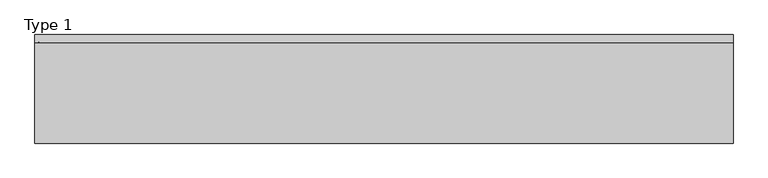
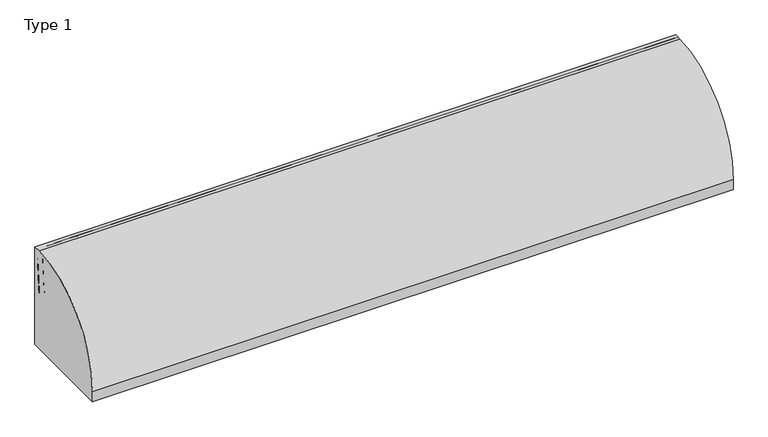
"""IFC4 building model written with IfcOpenShell, lengths in millimetres: railing geometry, Type 1."""

from ifc_helpers import new_model, si_unit, point, frame, frame_2d, origin, origin_with_axes, place, context, project, spatial, polyline, circle_curve, ellipse_curve, trimmed, segment, composite_curve, outline, extrude, source, transform, mapped, element, save
from ifc_brep_helpers import plane_surface, cylinder_surface, revolved_surface, advanced_brep


def type_1_05a76a94(model_context):
    return source(origin(), model_context, "Body", "SolidModel", [
        extrude(outline(polyline([(3577.3333333, 185.0), (3622.3333333, 185.0), (3622.3333333, 0.0), (3577.3333333, 0.0), (3577.3333333, 185.0)])), frame((0.0, 0.0, 1e-07), z_axis=(0.0, 0.0, 1.0), x_axis=(1.0, 0.0, 0.0)), (0.0, 0.0, 1.0), 2.5),
        extrude(outline(composite_curve([segment(polyline([(185.0, 185.0000001), (185.0, 1e-07), (0.0, 1e-07), (0.0, 54.9560848)]), True, "CONTINUOUS"), segment(trimmed(circle_curve(frame_2d((15.0, 54.9560848)), 15.0), [point((0.0, 54.9560848))], [point((4.3933983, 65.5626865))], False, "CARTESIAN"), True, "CONTINUOUS"), segment(polyline([(4.3933983, 65.5626865), (102.485009, 163.6542973)]), True, "CONTINUOUS"), segment(trimmed(circle_curve(frame_2d((154.0180942, 112.1212122)), 72.8787879), [point((102.485009, 163.6542973))], [point((154.0180942, 185.0000001))], False, "CARTESIAN"), True, "CONTINUOUS"), segment(polyline([(154.0180942, 185.0000001), (185.0, 185.0000001)]), True, "CONTINUOUS")], self_intersect=False), holes=[composite_curve([segment(trimmed(circle_curve(frame_2d((165.5151515, 93.0361975)), 67.389419), [point((98.1257325, 93.0361975))], [point((157.417745, 159.9373619))], False, "CARTESIAN"), True, "CONTINUOUS"), segment(trimmed(circle_curve(frame_2d((157.6849895, 157.7293747)), 2.2241014), [point((157.417745, 159.9373619))], [point((159.9090909, 157.7293747))], False, "CARTESIAN"), True, "CONTINUOUS"), segment(polyline([(159.9090909, 157.7293747), (159.9090909, 143.5676849)]), True, "CONTINUOUS"), segment(trimmed(circle_curve(frame_2d((165.5151515, 143.5676849)), 5.6060606), [point((159.9090909, 143.5676849))], [point((171.1212121, 143.5676849))], True, "CARTESIAN"), True, "CONTINUOUS"), segment(polyline([(171.1212121, 143.5676849), (171.1212121, 166.0316771)]), True, "CONTINUOUS"), segment(trimmed(circle_curve(frame_2d((165.5151515, 166.0316771)), 5.6060606), [point((171.1212121, 166.0316771))], [point((165.5151515, 171.6377377))], True, "CARTESIAN"), True, "CONTINUOUS"), segment(trimmed(circle_curve(frame_2d((165.5151515, 93.0361975)), 78.6015402), [point((165.5151515, 171.6377377))], [point((86.9136113, 93.0361975))], True, "CARTESIAN"), True, "CONTINUOUS"), segment(trimmed(circle_curve(frame_2d((92.5196719, 93.0361975)), 5.6060606), [point((86.9136113, 93.0361975))], [point((98.1257325, 93.0361975))], True, "CARTESIAN"), True, "CONTINUOUS")], self_intersect=False)]), frame((3622.3333333, 0.0, 0.0), z_axis=(1.0, 0.0, 0.0), x_axis=(0.0, 1.0, 0.0)), (0.0, 0.0, 1.0), 3.0),
        advanced_brep(
        [(3689.3333333, 185.0, 185.0000001), (3689.3333333, 185.0, 100.9768515), (3689.3333333, 185.0, 1e-07), (3689.3333333, 0.0, 1e-07), (3689.3333333, 0.0, 54.9560848), (3689.3333333, 4.3933983, 65.5626865), (3689.3333333, 102.485009, 163.6542973), (3689.3333333, 154.0180942, 185.0000001), (3689.3333333, 98.1257325, 93.0361975), (3689.3333333, 157.417745, 159.9373619), (3689.3333333, 159.9090909, 157.7293747), (3689.3333333, 159.9090909, 143.5676849), (3689.3333333, 171.1212121, 143.5676849), (3689.3333333, 171.1212121, 166.0316771), (3689.3333333, 165.5151515, 171.6377377), (3689.3333333, 86.9136113, 93.0361975), (3692.3333333, 0.0, 54.9560848), (3692.3333333, 0.0, 2.5000001), (3692.3333333, 185.0, 2.5000001), (3692.3333333, 185.0, 100.9768515), (3692.3333333, 188.0, 100.9768515), (3692.3333333, 188.0, 185.0000001), (3692.3333333, 154.0180942, 185.0000001), (3692.3333333, 102.485009, 163.6542973), (3692.3333333, 4.3933983, 65.5626865), (3692.3333333, 98.1257325, 93.0361975), (3692.3333333, 86.9136113, 93.0361975), (3692.3333333, 165.5151515, 171.6377377), (3692.3333333, 171.1212121, 166.0316771), (3692.3333333, 171.1212121, 143.5676849), (3692.3333333, 159.9090909, 143.5676849), (3692.3333333, 159.9090909, 157.7293747), (3692.3333333, 157.417745, 159.9373619), (3622.3333333, 188.0, 185.0000001), (3622.3333333, 185.0, 185.0000001), (3737.3333333, 0.0, 1e-07), (3737.3333333, 0.0, 2.5000001), (3737.3333333, 185.0, 1e-07), (3737.3333333, 185.0, 2.5000001), (3622.3333333, 188.0, 100.9768515), (3622.3333333, 185.0, 100.9768515)],
        [
            (0, 1),
            (1, 2),
            (2, 3),
            (3, 4),
            (4, 5, circle_curve(frame((3689.3333333, 15.0, 54.9560848), z_axis=(-1.0, 0.0, 0.0), x_axis=(0.0, 1.0, 0.0)), 15.0)),
            (5, 6),
            (6, 7, circle_curve(frame((3689.3333333, 154.0180942, 112.1212122), z_axis=(-1.0, 0.0, 0.0), x_axis=(0.0, 1.0, 0.0)), 72.8787879)),
            (7, 0),
            (8, 9, circle_curve(frame((3689.3333333, 165.5151515, 93.0361975), z_axis=(-1.0, 0.0, 0.0), x_axis=(0.0, 1.0, 0.0)), 67.389419)),
            (9, 10, circle_curve(frame((3689.3333333, 157.6849895, 157.7293747), z_axis=(-1.0, 0.0, 0.0), x_axis=(0.0, 1.0, 0.0)), 2.2241014)),
            (10, 11),
            (11, 12, circle_curve(frame((3689.3333333, 165.5151515, 143.5676849), z_axis=(1.0, 0.0, 0.0), x_axis=(0.0, 1.0, 0.0)), 5.6060606)),
            (12, 13),
            (13, 14, circle_curve(frame((3689.3333333, 165.5151515, 166.0316771), z_axis=(1.0, 0.0, 0.0), x_axis=(0.0, 1.0, 0.0)), 5.6060606)),
            (14, 15, circle_curve(frame((3689.3333333, 165.5151515, 93.0361975), z_axis=(1.0, 0.0, 0.0), x_axis=(0.0, 1.0, 0.0)), 78.6015402)),
            (15, 8, circle_curve(frame((3689.3333333, 92.5196719, 93.0361975), z_axis=(1.0, 0.0, 0.0), x_axis=(0.0, 1.0, 0.0)), 5.6060606)),
            (16, 17),
            (17, 18),
            (18, 19),
            (19, 20),
            (20, 21),
            (21, 22),
            (22, 23, circle_curve(frame((3692.3333333, 154.0180942, 112.1212122), z_axis=(1.0, 0.0, 0.0), x_axis=(0.0, 1.0, 0.0)), 72.8787879)),
            (23, 24),
            (24, 16, circle_curve(frame((3692.3333333, 15.0, 54.9560848), z_axis=(1.0, 0.0, 0.0), x_axis=(0.0, 1.0, 0.0)), 15.0)),
            (25, 26, circle_curve(frame((3692.3333333, 92.5196719, 93.0361975), z_axis=(-1.0, 0.0, 0.0), x_axis=(0.0, 1.0, 0.0)), 5.6060606)),
            (26, 27, circle_curve(frame((3692.3333333, 165.5151515, 93.0361975), z_axis=(-1.0, 0.0, 0.0), x_axis=(0.0, 1.0, 0.0)), 78.6015402)),
            (27, 28, circle_curve(frame((3692.3333333, 165.5151515, 166.0316771), z_axis=(-1.0, 0.0, 0.0), x_axis=(0.0, 1.0, 0.0)), 5.6060606)),
            (28, 29),
            (29, 30, circle_curve(frame((3692.3333333, 165.5151515, 143.5676849), z_axis=(-1.0, 0.0, 0.0), x_axis=(0.0, 1.0, 0.0)), 5.6060606)),
            (30, 31),
            (31, 32, circle_curve(frame((3692.3333333, 157.6849895, 157.7293747), z_axis=(1.0, 0.0, 0.0), x_axis=(0.0, 1.0, 0.0)), 2.2241014)),
            (32, 25, circle_curve(frame((3692.3333333, 165.5151515, 93.0361975), z_axis=(1.0, 0.0, 0.0), x_axis=(0.0, 1.0, 0.0)), 67.389419)),
            (7, 22),
            (21, 33),
            (33, 34),
            (34, 0),
            (6, 23),
            (5, 24),
            (4, 16),
            (3, 35),
            (35, 36),
            (36, 17),
            (2, 37),
            (37, 35),
            (1, 19),
            (18, 38),
            (38, 37),
            (15, 26),
            (25, 8),
            (14, 27),
            (13, 28),
            (32, 9),
            (12, 29),
            (11, 30),
            (10, 31),
            (20, 39),
            (39, 33),
            (40, 1),
            (34, 40),
            (39, 40),
            (36, 38),
        ],
        [
            plane_surface(frame((3689.3333333, 183.2270223, 185.0000001), z_axis=(-1.0, 0.0, 0.0), x_axis=(0.0, -1.0, 0.0))),
            plane_surface(frame((3692.3333333, 183.2270223, 185.0000001), z_axis=(1.0, 0.0, 0.0), x_axis=(0.0, 1.0, 0.0))),
            plane_surface(frame((3689.3333333, 185.0, 185.0000001), z_axis=(0.0, 0.0, 1.0), x_axis=(1.0, 0.0, 0.0))),
            cylinder_surface(frame((3692.3333333, 154.0180942, 112.1212122), z_axis=(-1.0, 0.0, 0.0), x_axis=(0.0, 1.0, 0.0)), 72.8787879),
            plane_surface(frame((3689.3333333, 102.485009, 163.6542973), z_axis=(0.0, -0.7071067811865421, 0.707106781186553), x_axis=(1.0, 0.0, 0.0))),
            cylinder_surface(frame((3692.3333333, 15.0, 54.9560848), z_axis=(-1.0, 0.0, 0.0), x_axis=(0.0, 1.0, 0.0)), 15.0),
            plane_surface(frame((3689.3333333, 0.0, 54.9560848), z_axis=(0.0, -1.0, 0.0), x_axis=(1.0, 0.0, 0.0))),
            plane_surface(frame((3689.3333333, 0.0, 1e-07), z_axis=(0.0, 0.0, -1.0), x_axis=(1.0, 0.0, 0.0))),
            plane_surface(frame((3689.3333333, 185.0, 1e-07), z_axis=(0.0, 1.0, 0.0), x_axis=(1.0, 0.0, 0.0))),
            revolved_surface(polyline([(3692.3333333, 98.12573250000001, 93.0361975), (3689.3333333, 98.12573250000001, 93.0361975)]), (3692.3333333, 92.5196719, 93.0361975), (1.0, 0.0, 0.0)),
            revolved_surface(polyline([(3692.3333333, 244.1166917, 93.0361975), (3689.3333333, 244.1166917, 93.0361975)]), (3692.3333333, 165.5151515, 93.0361975), (1.0, 0.0, 0.0)),
            revolved_surface(polyline([(3692.3333333, 171.1212121, 166.0316771), (3689.3333333, 171.1212121, 166.0316771)]), (3692.3333333, 165.5151515, 166.0316771), (1.0, 0.0, 0.0)),
            cylinder_surface(frame((3692.3333333, 165.5151515, 93.0361975), z_axis=(-1.0, 0.0, 0.0), x_axis=(0.0, 1.0, 0.0)), 67.389419),
            plane_surface(frame((3689.3333333, 171.1212121, 166.0316771), z_axis=(0.0, -1.0, 0.0), x_axis=(1.0, 0.0, 0.0))),
            revolved_surface(polyline([(3692.3333333, 171.1212121, 143.5676849), (3689.3333333, 171.1212121, 143.5676849)]), (3692.3333333, 165.5151515, 143.5676849), (1.0, 0.0, 0.0)),
            plane_surface(frame((3689.3333333, 159.9090909, 143.5676849), z_axis=(0.0, 1.0, 0.0), x_axis=(1.0, 0.0, 0.0))),
            cylinder_surface(frame((3692.3333333, 157.6849895, 157.7293747), z_axis=(-1.0, 0.0, 0.0), x_axis=(0.0, 1.0, 0.0)), 2.2241014),
            plane_surface(frame((3622.3333333, 188.0, 185.0000001), z_axis=(0.0, 1.0, 0.0), x_axis=(-1.0, 0.0, 0.0))),
            plane_surface(frame((3622.3333333, 185.0, 185.0000001), z_axis=(0.0, -1.0, 0.0), x_axis=(1.0, 0.0, 0.0))),
            plane_surface(frame((3622.3333333, 188.0, 185.0000001), z_axis=(-1.0, 0.0, 0.0), x_axis=(0.0, -1.0, 0.0))),
            plane_surface(frame((3622.3333333, 188.0, 100.9768515), z_axis=(0.0, 0.0, -1.0), x_axis=(0.0, -1.0, 0.0))),
            plane_surface(frame((3737.3333333, 185.0, 2.5000001), z_axis=(0.0, 0.0, 1.0), x_axis=(0.0, -1.0, 0.0))),
            plane_surface(frame((3737.3333333, 185.0, 2.5000001), z_axis=(1.0, 0.0, 0.0), x_axis=(0.0, 0.0, -1.0))),
        ],
        [
            (0, [[1, 2, 3, 4, 5, 6, 7, 8], [9, 10, 11, 12, 13, 14, 15, 16]]),
            (1, [[17, 18, 19, 20, 21, 22, 23, 24, 25], [26, 27, 28, 29, 30, 31, 32, 33]]),
            (2, [[34, -22, 35, 36, 37, -8]]),
            (3, [[38, -23, -34, -7]]),
            (4, [[39, -24, -38, -6]]),
            (5, [[40, -25, -39, -5]]),
            (6, [[41, 42, 43, -17, -40, -4]]),
            (7, [[44, 45, -41, -3]]),
            (8, [[-2, 46, -19, 47, 48, -44]]),
            (9, [[49, -26, 50, -16]]),
            (10, [[51, -27, -49, -15]]),
            (11, [[52, -28, -51, -14]]),
            (12, [[-50, -33, 53, -9]]),
            (13, [[54, -29, -52, -13]]),
            (14, [[55, -30, -54, -12]]),
            (15, [[56, -31, -55, -11]]),
            (16, [[-53, -32, -56, -10]]),
            (17, [[-21, 57, 58, -35]]),
            (18, [[59, -1, -37, 60]]),
            (19, [[61, -60, -36, -58]]),
            (20, [[-20, -46, -59, -61, -57]]),
            (21, [[-47, -18, -43, 62]]),
            (22, [[-42, -45, -48, -62]]),
        ],
    ),
        extrude(outline(composite_curve([segment(polyline([(3634.3333333, 185.0), (3680.3333333, 185.0)]), True, "CONTINUOUS"), segment(trimmed(circle_curve(frame_2d((3680.3333333, 180.0)), 5.0), [point((3680.3333333, 185.0))], [point((3685.3333333, 180.0))], False, "CARTESIAN"), True, "CONTINUOUS"), segment(polyline([(3685.3333333, 180.0), (3685.3333333, 152.0)]), True, "CONTINUOUS"), segment(trimmed(circle_curve(frame_2d((3680.3333333, 152.0)), 5.0), [point((3685.3333333, 152.0))], [point((3680.3333333, 147.0))], False, "CARTESIAN"), True, "CONTINUOUS"), segment(polyline([(3680.3333333, 147.0), (3634.3333333, 147.0)]), True, "CONTINUOUS"), segment(trimmed(circle_curve(frame_2d((3634.3333333, 152.0)), 5.0), [point((3634.3333333, 147.0))], [point((3629.3333333, 152.0))], False, "CARTESIAN"), True, "CONTINUOUS"), segment(polyline([(3629.3333333, 152.0), (3629.3333333, 180.0)]), True, "CONTINUOUS"), segment(trimmed(circle_curve(frame_2d((3634.3333333, 180.0)), 5.0), [point((3629.3333333, 180.0))], [point((3634.3333333, 185.0))], False, "CARTESIAN"), True, "CONTINUOUS")], self_intersect=False)), frame((0.0, 0.0, 43.0000001), z_axis=(0.0, 0.0, 1.0), x_axis=(1.0, 0.0, 0.0)), (0.0, 0.0, 1.0), 965.0),
        extrude(outline(composite_curve([segment(polyline([(209.2, 1050.0), (209.2, 0.0), (-802.2, 0.0), (-802.2, 108.0)]), True, "CONTINUOUS"), segment(trimmed(circle_curve(frame_2d((139.8273072, 108.0)), 942.0273072), [point((-802.2, 108.0))], [point((132.6546144, 1050.0))], False, "CARTESIAN"), True, "CONTINUOUS"), segment(polyline([(132.6546144, 1050.0), (209.2, 1050.0)]), True, "CONTINUOUS")], self_intersect=False)), frame((-400.0, 0.0, 0.0), z_axis=(1.0, 0.0, 0.0), x_axis=(0.0, 1.0, 0.0)), (0.0, 0.0, 1.0), 6500.0),
        extrude(outline(polyline([(1762.6666667, 185.0), (1807.6666667, 185.0), (1807.6666667, 0.0), (1762.6666667, 0.0), (1762.6666667, 185.0)])), origin_with_axes(), (0.0, 0.0, 1.0), 2.5),
        extrude(outline(composite_curve([segment(polyline([(185.0, 185.0), (185.0, 0.0), (0.0, 0.0), (0.0, 54.9560848)]), True, "CONTINUOUS"), segment(trimmed(circle_curve(frame_2d((15.0, 54.9560848)), 15.0), [point((0.0, 54.9560848))], [point((4.3933983, 65.5626865))], False, "CARTESIAN"), True, "CONTINUOUS"), segment(polyline([(4.3933983, 65.5626865), (102.485009, 163.6542973)]), True, "CONTINUOUS"), segment(trimmed(circle_curve(frame_2d((154.0180942, 112.1212122)), 72.8787879), [point((102.485009, 163.6542973))], [point((154.0180942, 185.0))], False, "CARTESIAN"), True, "CONTINUOUS"), segment(polyline([(154.0180942, 185.0), (185.0, 185.0)]), True, "CONTINUOUS")], self_intersect=False), holes=[composite_curve([segment(trimmed(circle_curve(frame_2d((165.5151515, 93.0361975)), 67.389419), [point((98.1257325, 93.0361975))], [point((157.417745, 159.9373619))], False, "CARTESIAN"), True, "CONTINUOUS"), segment(trimmed(circle_curve(frame_2d((157.6849895, 157.7293747)), 2.2241014), [point((157.417745, 159.9373619))], [point((159.9090909, 157.7293747))], False, "CARTESIAN"), True, "CONTINUOUS"), segment(polyline([(159.9090909, 157.7293747), (159.9090909, 143.5676849)]), True, "CONTINUOUS"), segment(trimmed(circle_curve(frame_2d((165.5151515, 143.5676849)), 5.6060606), [point((159.9090909, 143.5676849))], [point((171.1212121, 143.5676849))], True, "CARTESIAN"), True, "CONTINUOUS"), segment(polyline([(171.1212121, 143.5676849), (171.1212121, 166.0316771)]), True, "CONTINUOUS"), segment(trimmed(circle_curve(frame_2d((165.5151515, 166.0316771)), 5.6060606), [point((171.1212121, 166.0316771))], [point((165.5151515, 171.6377377))], True, "CARTESIAN"), True, "CONTINUOUS"), segment(trimmed(circle_curve(frame_2d((165.5151515, 93.0361975)), 78.6015402), [point((165.5151515, 171.6377377))], [point((86.9136113, 93.0361975))], True, "CARTESIAN"), True, "CONTINUOUS"), segment(trimmed(circle_curve(frame_2d((92.5196719, 93.0361975)), 5.6060606), [point((86.9136113, 93.0361975))], [point((98.1257325, 93.0361975))], True, "CARTESIAN"), True, "CONTINUOUS")], self_intersect=False)]), frame((1807.6666667, 0.0, 0.0), z_axis=(1.0, 0.0, 0.0), x_axis=(0.0, 1.0, 0.0)), (0.0, 0.0, 1.0), 3.0),
        advanced_brep(
        [(1874.6666667, 185.0, 185.0), (1874.6666667, 185.0, 100.9768515), (1874.6666667, 185.0, 0.0), (1874.6666667, 0.0, 0.0), (1874.6666667, 0.0, 54.9560848), (1874.6666667, 4.3933983, 65.5626865), (1874.6666667, 102.485009, 163.6542973), (1874.6666667, 154.0180942, 185.0), (1874.6666667, 98.1257325, 93.0361975), (1874.6666667, 157.417745, 159.9373619), (1874.6666667, 159.9090909, 157.7293747), (1874.6666667, 159.9090909, 143.5676849), (1874.6666667, 171.1212121, 143.5676849), (1874.6666667, 171.1212121, 166.0316771), (1874.6666667, 165.5151515, 171.6377377), (1874.6666667, 86.9136113, 93.0361975), (1877.6666667, 0.0, 54.9560848), (1877.6666667, 0.0, 2.5), (1877.6666667, 185.0, 2.5), (1877.6666667, 185.0, 100.9768515), (1877.6666667, 188.0, 100.9768515), (1877.6666667, 188.0, 185.0), (1877.6666667, 154.0180942, 185.0), (1877.6666667, 102.485009, 163.6542973), (1877.6666667, 4.3933983, 65.5626865), (1877.6666667, 98.1257325, 93.0361975), (1877.6666667, 86.9136113, 93.0361975), (1877.6666667, 165.5151515, 171.6377377), (1877.6666667, 171.1212121, 166.0316771), (1877.6666667, 171.1212121, 143.5676849), (1877.6666667, 159.9090909, 143.5676849), (1877.6666667, 159.9090909, 157.7293747), (1877.6666667, 157.417745, 159.9373619), (1807.6666667, 188.0, 185.0), (1807.6666667, 185.0, 185.0), (1922.6666667, 0.0, 0.0), (1922.6666667, 0.0, 2.5), (1922.6666667, 185.0, 0.0), (1922.6666667, 185.0, 2.5), (1807.6666667, 188.0, 100.9768515), (1807.6666667, 185.0, 100.9768515)],
        [
            (0, 1),
            (1, 2),
            (2, 3),
            (3, 4),
            (4, 5, circle_curve(frame((1874.6666667, 15.0, 54.9560848), z_axis=(-1.0, 0.0, 0.0), x_axis=(0.0, 1.0, 0.0)), 15.0)),
            (5, 6),
            (6, 7, circle_curve(frame((1874.6666667, 154.0180942, 112.1212122), z_axis=(-1.0, 0.0, 0.0), x_axis=(0.0, 1.0, 0.0)), 72.8787879)),
            (7, 0),
            (8, 9, circle_curve(frame((1874.6666667, 165.5151515, 93.0361975), z_axis=(-1.0, 0.0, 0.0), x_axis=(0.0, 1.0, 0.0)), 67.389419)),
            (9, 10, circle_curve(frame((1874.6666667, 157.6849895, 157.7293747), z_axis=(-1.0, 0.0, 0.0), x_axis=(0.0, 1.0, 0.0)), 2.2241014)),
            (10, 11),
            (11, 12, circle_curve(frame((1874.6666667, 165.5151515, 143.5676849), z_axis=(1.0, 0.0, 0.0), x_axis=(0.0, 1.0, 0.0)), 5.6060606)),
            (12, 13),
            (13, 14, circle_curve(frame((1874.6666667, 165.5151515, 166.0316771), z_axis=(1.0, 0.0, 0.0), x_axis=(0.0, 1.0, 0.0)), 5.6060606)),
            (14, 15, circle_curve(frame((1874.6666667, 165.5151515, 93.0361975), z_axis=(1.0, 0.0, 0.0), x_axis=(0.0, 1.0, 0.0)), 78.6015402)),
            (15, 8, circle_curve(frame((1874.6666667, 92.5196719, 93.0361975), z_axis=(1.0, 0.0, 0.0), x_axis=(0.0, 1.0, 0.0)), 5.6060606)),
            (16, 17),
            (17, 18),
            (18, 19),
            (19, 20),
            (20, 21),
            (21, 22),
            (22, 23, circle_curve(frame((1877.6666667, 154.0180942, 112.1212122), z_axis=(1.0, 0.0, 0.0), x_axis=(0.0, 1.0, 0.0)), 72.8787879)),
            (23, 24),
            (24, 16, circle_curve(frame((1877.6666667, 15.0, 54.9560848), z_axis=(1.0, 0.0, 0.0), x_axis=(0.0, 1.0, 0.0)), 15.0)),
            (25, 26, circle_curve(frame((1877.6666667, 92.5196719, 93.0361975), z_axis=(-1.0, 0.0, 0.0), x_axis=(0.0, 1.0, 0.0)), 5.6060606)),
            (26, 27, circle_curve(frame((1877.6666667, 165.5151515, 93.0361975), z_axis=(-1.0, 0.0, 0.0), x_axis=(0.0, 1.0, 0.0)), 78.6015402)),
            (27, 28, circle_curve(frame((1877.6666667, 165.5151515, 166.0316771), z_axis=(-1.0, 0.0, 0.0), x_axis=(0.0, 1.0, 0.0)), 5.6060606)),
            (28, 29),
            (29, 30, circle_curve(frame((1877.6666667, 165.5151515, 143.5676849), z_axis=(-1.0, 0.0, 0.0), x_axis=(0.0, 1.0, 0.0)), 5.6060606)),
            (30, 31),
            (31, 32, circle_curve(frame((1877.6666667, 157.6849895, 157.7293747), z_axis=(1.0, 0.0, 0.0), x_axis=(0.0, 1.0, 0.0)), 2.2241014)),
            (32, 25, circle_curve(frame((1877.6666667, 165.5151515, 93.0361975), z_axis=(1.0, 0.0, 0.0), x_axis=(0.0, 1.0, 0.0)), 67.389419)),
            (7, 22),
            (21, 33),
            (33, 34),
            (34, 0),
            (6, 23),
            (5, 24),
            (4, 16),
            (3, 35),
            (35, 36),
            (36, 17),
            (2, 37),
            (37, 35),
            (1, 19),
            (18, 38),
            (38, 37),
            (15, 26),
            (25, 8),
            (14, 27),
            (13, 28),
            (32, 9),
            (12, 29),
            (11, 30),
            (10, 31),
            (20, 39),
            (39, 33),
            (40, 1),
            (34, 40),
            (39, 40),
            (36, 38),
        ],
        [
            plane_surface(frame((1874.6666667, 183.2270223, 185.0), z_axis=(-1.0, 0.0, 0.0), x_axis=(0.0, -1.0, 0.0))),
            plane_surface(frame((1877.6666667, 183.2270223, 185.0), z_axis=(1.0, 0.0, 0.0), x_axis=(0.0, 1.0, 0.0))),
            plane_surface(frame((1874.6666667, 185.0, 185.0), z_axis=(0.0, 0.0, 1.0), x_axis=(1.0, 0.0, 0.0))),
            cylinder_surface(frame((1877.6666667, 154.0180942, 112.1212122), z_axis=(-1.0, 0.0, 0.0), x_axis=(0.0, 1.0, 0.0)), 72.8787879),
            plane_surface(frame((1874.6666667, 102.485009, 163.6542973), z_axis=(0.0, -0.7071067811865421, 0.707106781186553), x_axis=(1.0, 0.0, 0.0))),
            cylinder_surface(frame((1877.6666667, 15.0, 54.9560848), z_axis=(-1.0, 0.0, 0.0), x_axis=(0.0, 1.0, 0.0)), 15.0),
            plane_surface(frame((1874.6666667, 0.0, 54.9560848), z_axis=(0.0, -1.0, 0.0), x_axis=(1.0, 0.0, 0.0))),
            plane_surface(frame((1874.6666667, 0.0, 0.0), z_axis=(0.0, 0.0, -1.0), x_axis=(1.0, 0.0, 0.0))),
            plane_surface(frame((1874.6666667, 185.0, 0.0), z_axis=(0.0, 1.0, 0.0), x_axis=(1.0, 0.0, 0.0))),
            revolved_surface(polyline([(1877.6666667, 98.12573250000001, 93.0361975), (1874.6666667, 98.12573250000001, 93.0361975)]), (1877.6666667, 92.5196719, 93.0361975), (1.0, 0.0, 0.0)),
            revolved_surface(polyline([(1877.6666667, 244.1166917, 93.0361975), (1874.6666667, 244.1166917, 93.0361975)]), (1877.6666667, 165.5151515, 93.0361975), (1.0, 0.0, 0.0)),
            revolved_surface(polyline([(1877.6666667, 171.1212121, 166.0316771), (1874.6666667, 171.1212121, 166.0316771)]), (1877.6666667, 165.5151515, 166.0316771), (1.0, 0.0, 0.0)),
            cylinder_surface(frame((1877.6666667, 165.5151515, 93.0361975), z_axis=(-1.0, 0.0, 0.0), x_axis=(0.0, 1.0, 0.0)), 67.389419),
            plane_surface(frame((1874.6666667, 171.1212121, 166.0316771), z_axis=(0.0, -1.0, 0.0), x_axis=(1.0, 0.0, 0.0))),
            revolved_surface(polyline([(1877.6666667, 171.1212121, 143.5676849), (1874.6666667, 171.1212121, 143.5676849)]), (1877.6666667, 165.5151515, 143.5676849), (1.0, 0.0, 0.0)),
            plane_surface(frame((1874.6666667, 159.9090909, 143.5676849), z_axis=(0.0, 1.0, 0.0), x_axis=(1.0, 0.0, 0.0))),
            cylinder_surface(frame((1877.6666667, 157.6849895, 157.7293747), z_axis=(-1.0, 0.0, 0.0), x_axis=(0.0, 1.0, 0.0)), 2.2241014),
            plane_surface(frame((1807.6666667, 188.0, 185.0), z_axis=(0.0, 1.0, 0.0), x_axis=(-1.0, 0.0, 0.0))),
            plane_surface(frame((1807.6666667, 185.0, 185.0), z_axis=(0.0, -1.0, 0.0), x_axis=(1.0, 0.0, 0.0))),
            plane_surface(frame((1807.6666667, 188.0, 185.0), z_axis=(-1.0, 0.0, 0.0), x_axis=(0.0, -1.0, 0.0))),
            plane_surface(frame((1807.6666667, 188.0, 100.9768515), z_axis=(0.0, 0.0, -1.0), x_axis=(0.0, -1.0, 0.0))),
            plane_surface(frame((1922.6666667, 185.0, 2.5), z_axis=(0.0, 0.0, 1.0), x_axis=(0.0, -1.0, 0.0))),
            plane_surface(frame((1922.6666667, 185.0, 2.5), z_axis=(1.0, 0.0, 0.0), x_axis=(0.0, 0.0, -1.0))),
        ],
        [
            (0, [[1, 2, 3, 4, 5, 6, 7, 8], [9, 10, 11, 12, 13, 14, 15, 16]]),
            (1, [[17, 18, 19, 20, 21, 22, 23, 24, 25], [26, 27, 28, 29, 30, 31, 32, 33]]),
            (2, [[34, -22, 35, 36, 37, -8]]),
            (3, [[38, -23, -34, -7]]),
            (4, [[39, -24, -38, -6]]),
            (5, [[40, -25, -39, -5]]),
            (6, [[41, 42, 43, -17, -40, -4]]),
            (7, [[44, 45, -41, -3]]),
            (8, [[-2, 46, -19, 47, 48, -44]]),
            (9, [[49, -26, 50, -16]]),
            (10, [[51, -27, -49, -15]]),
            (11, [[52, -28, -51, -14]]),
            (12, [[-50, -33, 53, -9]]),
            (13, [[54, -29, -52, -13]]),
            (14, [[55, -30, -54, -12]]),
            (15, [[56, -31, -55, -11]]),
            (16, [[-53, -32, -56, -10]]),
            (17, [[-21, 57, 58, -35]]),
            (18, [[59, -1, -37, 60]]),
            (19, [[61, -60, -36, -58]]),
            (20, [[-20, -46, -59, -61, -57]]),
            (21, [[-47, -18, -43, 62]]),
            (22, [[-42, -45, -48, -62]]),
        ],
    ),
        extrude(outline(composite_curve([segment(polyline([(1819.6666667, 185.0), (1865.6666667, 185.0)]), True, "CONTINUOUS"), segment(trimmed(circle_curve(frame_2d((1865.6666667, 180.0)), 5.0), [point((1865.6666667, 185.0))], [point((1870.6666667, 180.0))], False, "CARTESIAN"), True, "CONTINUOUS"), segment(polyline([(1870.6666667, 180.0), (1870.6666667, 152.0)]), True, "CONTINUOUS"), segment(trimmed(circle_curve(frame_2d((1865.6666667, 152.0)), 5.0), [point((1870.6666667, 152.0))], [point((1865.6666667, 147.0))], False, "CARTESIAN"), True, "CONTINUOUS"), segment(polyline([(1865.6666667, 147.0), (1819.6666667, 147.0)]), True, "CONTINUOUS"), segment(trimmed(circle_curve(frame_2d((1819.6666667, 152.0)), 5.0), [point((1819.6666667, 147.0))], [point((1814.6666667, 152.0))], False, "CARTESIAN"), True, "CONTINUOUS"), segment(polyline([(1814.6666667, 152.0), (1814.6666667, 180.0)]), True, "CONTINUOUS"), segment(trimmed(circle_curve(frame_2d((1819.6666667, 180.0)), 5.0), [point((1814.6666667, 180.0))], [point((1819.6666667, 185.0))], False, "CARTESIAN"), True, "CONTINUOUS")], self_intersect=False)), frame((0.0, 0.0, 43.0), z_axis=(0.0, 0.0, 1.0), x_axis=(1.0, 0.0, 0.0)), (0.0, 0.0, 1.0), 965.0),
        advanced_brep(
        [(-200.0, 131.3, 518.0), (-200.0, 131.3, 558.0), (-210.0, 131.3, 513.0), (-210.0, 131.3, 563.0)],
        [
            (0, 1, circle_curve(frame((-200.0, 131.3, 538.0), z_axis=(1.0, 0.0, 0.0), x_axis=(0.0, 0.0, 1.0)), 20.0)),
            (1, 0, circle_curve(frame((-200.0, 131.3, 538.0), z_axis=(1.0, 0.0, 0.0), x_axis=(0.0, 0.0, -1.0)), 20.0)),
            (2, 3, circle_curve(frame((-210.0, 131.3, 538.0), z_axis=(-1.0, 0.0, 0.0), x_axis=(0.0, 0.0, -1.0)), 25.0)),
            (3, 2, circle_curve(frame((-210.0, 131.3, 538.0), z_axis=(-1.0, 0.0, 0.0), x_axis=(0.0, 0.0, 1.0)), 25.0)),
            (2, 0),
            (1, 3),
        ],
        [
            plane_surface(frame((-200.0, 131.3, 538.0), z_axis=(1.0, 0.0, 0.0), x_axis=(0.0, -1.0, 0.0))),
            plane_surface(frame((-210.0, 131.3, 538.0), z_axis=(-1.0, 0.0, 0.0), x_axis=(0.0, -1.0, 0.0))),
            revolved_surface(polyline([(-200.0, 131.3, 518.0), (-210.0, 131.3, 513.0)]), (-160.0, 131.3, 538.0), (-1.0, 0.0, 0.0)),
            revolved_surface(polyline([(-200.0, 131.3, 558.0), (-210.0, 131.3, 563.0)]), (-160.0, 131.3, 538.0), (-1.0, 0.0, 0.0)),
        ],
        [
            (0, [[1, 2]]),
            (1, [[3, 4]]),
            (2, [[5, -2, 6, -3]]),
            (3, [[-6, -1, -5, -4]]),
        ],
    ),
        advanced_brep(
        [(0.0, 167.7768095, 1049.936779), (0.0, 164.2231905, 1000.063221), (-300.0, 164.2231905, 1000.063221), (-300.0, 167.7768095, 1049.936779), (-350.0, 160.6695715, 950.1896629), (-400.0, 160.6695715, 950.1896629), (-350.0, 136.6399996, 612.9446635), (-400.0, 136.6399996, 612.9446635), (-300.0, 133.0863806, 563.0711054), (-300.0, 129.5327616, 513.1975474), (-210.0, 129.5327616, 513.1975474), (-210.0, 133.0863806, 563.0711054)],
        [
            (0, 1, circle_curve(frame((0.0, 166.0, 1025.0), z_axis=(1.0, 0.0, 0.0), x_axis=(0.0, -0.07107238045514509, -0.9974711608545078)), 25.0)),
            (1, 0, circle_curve(frame((0.0, 166.0, 1025.0), z_axis=(1.0, 0.0, 0.0), x_axis=(0.0, -0.07107238045514509, -0.9974711608545078)), 25.0)),
            (1, 2),
            (2, 3, circle_curve(frame((-300.0, 166.0, 1025.0), z_axis=(1.0, 0.0, 0.0), x_axis=(0.0, -0.07107238045514509, -0.9974711608545078)), 25.0)),
            (3, 0),
            (3, 2, circle_curve(frame((-300.0, 166.0, 1025.0), z_axis=(1.0, 0.0, 0.0), x_axis=(0.0, -0.07107238045514509, -0.9974711608545078)), 25.0)),
            (4, 5, circle_curve(frame((-375.0, 160.6695715, 950.1896629), z_axis=(0.0, 0.07107238045514509, 0.9974711608545078), x_axis=(1.0000000000000002, 0.0, 0.0)), 25.0)),
            (5, 3, circle_curve(frame((-300.0, 160.6695715, 950.1896629), z_axis=(0.0, 0.9974711608545078, -0.07107238045514509), x_axis=(0.0, 0.07107238045514509, 0.9974711608545078)), 100.0)),
            (2, 4, circle_curve(frame((-300.0, 160.6695715, 950.1896629), z_axis=(0.0, -0.9974711608545078, 0.07107238045514509), x_axis=(0.0, 0.07107238045514509, 0.9974711608545078)), 50.0)),
            (5, 4, circle_curve(frame((-375.0, 160.6695715, 950.1896629), z_axis=(0.0, 0.07107238045514509, 0.9974711608545078), x_axis=(1.0000000000000002, 0.0, 0.0)), 25.0)),
            (4, 6),
            (6, 7, circle_curve(frame((-375.0, 136.6399996, 612.9446635), z_axis=(0.0, 0.0710723804551451, 0.9974711608545077), x_axis=(1.0, 0.0, 0.0)), 25.0)),
            (7, 5),
            (7, 6, circle_curve(frame((-375.0, 136.6399996, 612.9446635), z_axis=(0.0, 0.0710723804551451, 0.9974711608545077), x_axis=(1.0, 0.0, 0.0)), 25.0)),
            (8, 9, circle_curve(frame((-300.0, 131.3095711, 538.1343264), z_axis=(-1.0, 0.0, 0.0), x_axis=(0.0, 0.0710723804551451, 0.9974711608545078)), 25.0)),
            (9, 7, circle_curve(frame((-300.0, 136.6399996, 612.9446635), z_axis=(0.0, 0.9974711608545078, -0.07107238045514509), x_axis=(-1.0, 0.0, 0.0)), 100.0)),
            (6, 8, circle_curve(frame((-300.0, 136.6399996, 612.9446635), z_axis=(0.0, -0.9974711608545078, 0.07107238045514509), x_axis=(-1.0, 0.0, 0.0)), 50.0)),
            (9, 8, circle_curve(frame((-300.0, 131.3095711, 538.1343264), z_axis=(-1.0, 0.0, 0.0), x_axis=(0.0, 0.0710723804551451, 0.9974711608545078)), 25.0)),
            (10, 11, circle_curve(frame((-210.0, 131.3095711, 538.1343264), z_axis=(1.0, 0.0, 0.0), x_axis=(0.0, 0.07107238045514509, 0.9974711608545078)), 25.0)),
            (11, 10, circle_curve(frame((-210.0, 131.3095711, 538.1343264), z_axis=(1.0, 0.0, 0.0), x_axis=(0.0, 0.07107238045514509, 0.9974711608545078)), 25.0)),
            (8, 11),
            (10, 9),
        ],
        [
            plane_surface(frame((0.0, 167.7768095, 1049.936779), z_axis=(1.0000000000000002, 0.0, 0.0), x_axis=(0.0, 0.9974711608545078, -0.07107238045514509))),
            cylinder_surface(frame((0.0, 166.0, 1025.0), z_axis=(1.0000000000000002, 0.0, 0.0), x_axis=(0.0, -0.07107238045514509, -0.9974711608545078)), 25.0),
            revolved_surface(trimmed(ellipse_curve(frame((-300.0, 166.0, 1025.0), z_axis=(-1.0000000000000002, 0.0, 0.0), x_axis=(0.0, -0.07107238045514509, -0.9974711608545078)), 25.0, 25.0), [point((-300.0, 167.7768095, 1049.936779))], [point((-300.0, 164.2231905, 1000.063221))], True, "CARTESIAN"), (-300.0, 160.6695715, 950.1896629), (0.0, 0.9974711608545078, -0.07107238045514509)),
            revolved_surface(trimmed(ellipse_curve(frame((-300.0, 166.0, 1025.0), z_axis=(-1.0000000000000002, 0.0, 0.0), x_axis=(0.0, -0.07107238045514509, -0.9974711608545078)), 25.0, 25.0), [point((-300.0, 164.2231905, 1000.063221))], [point((-300.0, 167.7768095, 1049.936779))], True, "CARTESIAN"), (-300.0, 160.6695715, 950.1896629), (0.0, 0.9974711608545078, -0.07107238045514509)),
            cylinder_surface(frame((-375.0, 160.6695715, 950.1896629), z_axis=(0.0, 0.0710723804551451, 0.9974711608545077), x_axis=(1.0, 0.0, 0.0)), 25.0),
            revolved_surface(trimmed(ellipse_curve(frame((-375.0, 136.6399996, 612.9446635), z_axis=(0.0, -0.07107238045514512, -0.9974711608545078), x_axis=(1.0, 0.0, 0.0)), 25.0, 25.0), [point((-400.0, 136.6399996, 612.9446635))], [point((-350.0, 136.6399996, 612.9446635))], True, "CARTESIAN"), (-300.0, 136.6399996, 612.9446635), (0.0, 0.9974711608545078, -0.07107238045514509)),
            revolved_surface(trimmed(ellipse_curve(frame((-375.0, 136.6399996, 612.9446635), z_axis=(0.0, -0.07107238045514512, -0.9974711608545078), x_axis=(1.0, 0.0, 0.0)), 25.0, 25.0), [point((-350.0, 136.6399996, 612.9446635))], [point((-400.0, 136.6399996, 612.9446635))], True, "CARTESIAN"), (-300.0, 136.6399996, 612.9446635), (0.0, 0.9974711608545078, -0.07107238045514509)),
            plane_surface(frame((-210.0, 129.5327616, 513.1975474), z_axis=(1.0000000000000002, 0.0, 0.0), x_axis=(0.0, 0.9974711608545078, -0.07107238045514509))),
            cylinder_surface(frame((-300.0, 131.3095711, 538.1343264), z_axis=(-1.0, 0.0, 0.0), x_axis=(0.0, 0.07107238045514509, 0.9974711608545078)), 25.0),
        ],
        [
            (0, [[1, 2]]),
            (1, [[3, 4, 5, -2]]),
            (1, [[-5, 6, -3, -1]]),
            (2, [[7, 8, -4, 9]]),
            (3, [[10, -9, -6, -8]]),
            (4, [[11, 12, 13, -7]]),
            (4, [[-13, 14, -11, -10]]),
            (5, [[15, 16, -12, 17]]),
            (6, [[18, -17, -14, -16]]),
            (7, [[19, 20]]),
            (8, [[21, -19, 22, -15]]),
            (8, [[-22, -20, -21, -18]]),
        ],
    ),
        extrude(outline(composite_curve([segment(polyline([(112.7, 530.617273), (116.7, 530.617273), (116.7, 545.382727), (112.7, 545.382727)]), True, "CONTINUOUS"), segment(trimmed(circle_curve(frame_2d((131.287505, 538.0)), 20.0), [point((112.7, 545.382727))], [point((147.0, 550.3740657))], False, "CARTESIAN"), True, "CONTINUOUS"), segment(polyline([(147.0, 550.3740657), (147.0, 525.6259343)]), True, "CONTINUOUS"), segment(trimmed(circle_curve(frame_2d((131.287505, 538.0)), 20.0), [point((147.0, 525.6259343))], [point((112.7, 530.617273))], False, "CARTESIAN"), True, "CONTINUOUS")], self_intersect=False)), frame((-200.0, 0.0, 0.0), z_axis=(1.0, 0.0, 0.0), x_axis=(0.0, 1.0, 0.0)), (0.0, 0.0, 1.0), 6275.0),
        extrude(outline(composite_curve([segment(polyline([(187.0, 1011.43534), (187.0, 993.0), (186.0, 993.0), (186.0, 1008.0), (146.0, 1008.0), (146.0, 993.0), (145.0, 993.0), (145.0, 1011.43534)]), True, "CONTINUOUS"), segment(trimmed(circle_curve(frame_2d((166.0, 1025.0)), 25.0), [point((145.0, 1011.43534))], [point((187.0, 1011.43534))], False, "CARTESIAN"), True, "CONTINUOUS")], self_intersect=False)), frame((0.0, 0.0, 0.0), z_axis=(1.0, 0.0, 0.0), x_axis=(0.0, 1.0, 0.0)), (0.0, 0.0, 1.0), 6100.0),
        extrude(outline(polyline([(5392.0, 185.0), (5437.0, 185.0), (5437.0, 0.0), (5392.0, 0.0), (5392.0, 185.0)])), origin_with_axes(), (0.0, 0.0, 1.0), 2.5),
        extrude(outline(composite_curve([segment(polyline([(185.0, 185.0), (185.0, 0.0), (0.0, 0.0), (0.0, 54.9560848)]), True, "CONTINUOUS"), segment(trimmed(circle_curve(frame_2d((15.0, 54.9560848)), 15.0), [point((0.0, 54.9560848))], [point((4.3933983, 65.5626865))], False, "CARTESIAN"), True, "CONTINUOUS"), segment(polyline([(4.3933983, 65.5626865), (102.485009, 163.6542973)]), True, "CONTINUOUS"), segment(trimmed(circle_curve(frame_2d((154.0180942, 112.1212122)), 72.8787879), [point((102.485009, 163.6542973))], [point((154.0180942, 185.0))], False, "CARTESIAN"), True, "CONTINUOUS"), segment(polyline([(154.0180942, 185.0), (185.0, 185.0)]), True, "CONTINUOUS")], self_intersect=False), holes=[composite_curve([segment(trimmed(circle_curve(frame_2d((165.5151515, 93.0361975)), 67.389419), [point((98.1257325, 93.0361975))], [point((157.417745, 159.9373619))], False, "CARTESIAN"), True, "CONTINUOUS"), segment(trimmed(circle_curve(frame_2d((157.6849895, 157.7293747)), 2.2241014), [point((157.417745, 159.9373619))], [point((159.9090909, 157.7293747))], False, "CARTESIAN"), True, "CONTINUOUS"), segment(polyline([(159.9090909, 157.7293747), (159.9090909, 143.5676849)]), True, "CONTINUOUS"), segment(trimmed(circle_curve(frame_2d((165.5151515, 143.5676849)), 5.6060606), [point((159.9090909, 143.5676849))], [point((171.1212121, 143.5676849))], True, "CARTESIAN"), True, "CONTINUOUS"), segment(polyline([(171.1212121, 143.5676849), (171.1212121, 166.0316771)]), True, "CONTINUOUS"), segment(trimmed(circle_curve(frame_2d((165.5151515, 166.0316771)), 5.6060606), [point((171.1212121, 166.0316771))], [point((165.5151515, 171.6377377))], True, "CARTESIAN"), True, "CONTINUOUS"), segment(trimmed(circle_curve(frame_2d((165.5151515, 93.0361975)), 78.6015402), [point((165.5151515, 171.6377377))], [point((86.9136113, 93.0361975))], True, "CARTESIAN"), True, "CONTINUOUS"), segment(trimmed(circle_curve(frame_2d((92.5196719, 93.0361975)), 5.6060606), [point((86.9136113, 93.0361975))], [point((98.1257325, 93.0361975))], True, "CARTESIAN"), True, "CONTINUOUS")], self_intersect=False)]), frame((5437.0, 0.0, 0.0), z_axis=(1.0, 0.0, 0.0), x_axis=(0.0, 1.0, 0.0)), (0.0, 0.0, 1.0), 3.0),
        advanced_brep(
        [(5504.0, 185.0, 185.0), (5504.0, 185.0, 100.9768515), (5504.0, 185.0, 0.0), (5504.0, 0.0, 0.0), (5504.0, 0.0, 54.9560848), (5504.0, 4.3933983, 65.5626865), (5504.0, 102.485009, 163.6542973), (5504.0, 154.0180942, 185.0), (5504.0, 98.1257325, 93.0361975), (5504.0, 157.417745, 159.9373619), (5504.0, 159.9090909, 157.7293747), (5504.0, 159.9090909, 143.5676849), (5504.0, 171.1212121, 143.5676849), (5504.0, 171.1212121, 166.0316771), (5504.0, 165.5151515, 171.6377377), (5504.0, 86.9136113, 93.0361975), (5507.0, 0.0, 54.9560848), (5507.0, 0.0, 2.5), (5507.0, 185.0, 2.5), (5507.0, 185.0, 100.9768515), (5507.0, 188.0, 100.9768515), (5507.0, 188.0, 185.0), (5507.0, 154.0180942, 185.0), (5507.0, 102.485009, 163.6542973), (5507.0, 4.3933983, 65.5626865), (5507.0, 98.1257325, 93.0361975), (5507.0, 86.9136113, 93.0361975), (5507.0, 165.5151515, 171.6377377), (5507.0, 171.1212121, 166.0316771), (5507.0, 171.1212121, 143.5676849), (5507.0, 159.9090909, 143.5676849), (5507.0, 159.9090909, 157.7293747), (5507.0, 157.417745, 159.9373619), (5437.0, 188.0, 185.0), (5437.0, 185.0, 185.0), (5552.0, 0.0, 0.0), (5552.0, 0.0, 2.5), (5552.0, 185.0, 0.0), (5552.0, 185.0, 2.5), (5437.0, 188.0, 100.9768515), (5437.0, 185.0, 100.9768515)],
        [
            (0, 1),
            (1, 2),
            (2, 3),
            (3, 4),
            (4, 5, circle_curve(frame((5504.0, 15.0, 54.9560848), z_axis=(-1.0, 0.0, 0.0), x_axis=(0.0, 1.0, 0.0)), 15.0)),
            (5, 6),
            (6, 7, circle_curve(frame((5504.0, 154.0180942, 112.1212122), z_axis=(-1.0, 0.0, 0.0), x_axis=(0.0, 1.0, 0.0)), 72.8787879)),
            (7, 0),
            (8, 9, circle_curve(frame((5504.0, 165.5151515, 93.0361975), z_axis=(-1.0, 0.0, 0.0), x_axis=(0.0, 1.0, 0.0)), 67.389419)),
            (9, 10, circle_curve(frame((5504.0, 157.6849895, 157.7293747), z_axis=(-1.0, 0.0, 0.0), x_axis=(0.0, 1.0, 0.0)), 2.2241014)),
            (10, 11),
            (11, 12, circle_curve(frame((5504.0, 165.5151515, 143.5676849), z_axis=(1.0, 0.0, 0.0), x_axis=(0.0, 1.0, 0.0)), 5.6060606)),
            (12, 13),
            (13, 14, circle_curve(frame((5504.0, 165.5151515, 166.0316771), z_axis=(1.0, 0.0, 0.0), x_axis=(0.0, 1.0, 0.0)), 5.6060606)),
            (14, 15, circle_curve(frame((5504.0, 165.5151515, 93.0361975), z_axis=(1.0, 0.0, 0.0), x_axis=(0.0, 1.0, 0.0)), 78.6015402)),
            (15, 8, circle_curve(frame((5504.0, 92.5196719, 93.0361975), z_axis=(1.0, 0.0, 0.0), x_axis=(0.0, 1.0, 0.0)), 5.6060606)),
            (16, 17),
            (17, 18),
            (18, 19),
            (19, 20),
            (20, 21),
            (21, 22),
            (22, 23, circle_curve(frame((5507.0, 154.0180942, 112.1212122), z_axis=(1.0, 0.0, 0.0), x_axis=(0.0, 1.0, 0.0)), 72.8787879)),
            (23, 24),
            (24, 16, circle_curve(frame((5507.0, 15.0, 54.9560848), z_axis=(1.0, 0.0, 0.0), x_axis=(0.0, 1.0, 0.0)), 15.0)),
            (25, 26, circle_curve(frame((5507.0, 92.5196719, 93.0361975), z_axis=(-1.0, 0.0, 0.0), x_axis=(0.0, 1.0, 0.0)), 5.6060606)),
            (26, 27, circle_curve(frame((5507.0, 165.5151515, 93.0361975), z_axis=(-1.0, 0.0, 0.0), x_axis=(0.0, 1.0, 0.0)), 78.6015402)),
            (27, 28, circle_curve(frame((5507.0, 165.5151515, 166.0316771), z_axis=(-1.0, 0.0, 0.0), x_axis=(0.0, 1.0, 0.0)), 5.6060606)),
            (28, 29),
            (29, 30, circle_curve(frame((5507.0, 165.5151515, 143.5676849), z_axis=(-1.0, 0.0, 0.0), x_axis=(0.0, 1.0, 0.0)), 5.6060606)),
            (30, 31),
            (31, 32, circle_curve(frame((5507.0, 157.6849895, 157.7293747), z_axis=(1.0, 0.0, 0.0), x_axis=(0.0, 1.0, 0.0)), 2.2241014)),
            (32, 25, circle_curve(frame((5507.0, 165.5151515, 93.0361975), z_axis=(1.0, 0.0, 0.0), x_axis=(0.0, 1.0, 0.0)), 67.389419)),
            (7, 22),
            (21, 33),
            (33, 34),
            (34, 0),
            (6, 23),
            (5, 24),
            (4, 16),
            (3, 35),
            (35, 36),
            (36, 17),
            (2, 37),
            (37, 35),
            (1, 19),
            (18, 38),
            (38, 37),
            (15, 26),
            (25, 8),
            (14, 27),
            (13, 28),
            (32, 9),
            (12, 29),
            (11, 30),
            (10, 31),
            (20, 39),
            (39, 33),
            (40, 1),
            (34, 40),
            (39, 40),
            (36, 38),
        ],
        [
            plane_surface(frame((5504.0, 183.2270223, 185.0), z_axis=(-1.0, 0.0, 0.0), x_axis=(0.0, -1.0, 0.0))),
            plane_surface(frame((5507.0, 183.2270223, 185.0), z_axis=(1.0, 0.0, 0.0), x_axis=(0.0, 1.0, 0.0))),
            plane_surface(frame((5504.0, 185.0, 185.0), z_axis=(0.0, 0.0, 1.0), x_axis=(1.0, 0.0, 0.0))),
            cylinder_surface(frame((5507.0, 154.0180942, 112.1212122), z_axis=(-1.0, 0.0, 0.0), x_axis=(0.0, 1.0, 0.0)), 72.8787879),
            plane_surface(frame((5504.0, 102.485009, 163.6542973), z_axis=(0.0, -0.7071067811865421, 0.707106781186553), x_axis=(1.0, 0.0, 0.0))),
            cylinder_surface(frame((5507.0, 15.0, 54.9560848), z_axis=(-1.0, 0.0, 0.0), x_axis=(0.0, 1.0, 0.0)), 15.0),
            plane_surface(frame((5504.0, 0.0, 54.9560848), z_axis=(0.0, -1.0, 0.0), x_axis=(1.0, 0.0, 0.0))),
            plane_surface(frame((5504.0, 0.0, 0.0), z_axis=(0.0, 0.0, -1.0), x_axis=(1.0, 0.0, 0.0))),
            plane_surface(frame((5504.0, 185.0, 0.0), z_axis=(0.0, 1.0, 0.0), x_axis=(1.0, 0.0, 0.0))),
            revolved_surface(polyline([(5507.0, 98.12573250000001, 93.0361975), (5504.0, 98.12573250000001, 93.0361975)]), (5507.0, 92.5196719, 93.0361975), (1.0, 0.0, 0.0)),
            revolved_surface(polyline([(5507.0, 244.1166917, 93.0361975), (5504.0, 244.1166917, 93.0361975)]), (5507.0, 165.5151515, 93.0361975), (1.0, 0.0, 0.0)),
            revolved_surface(polyline([(5507.0, 171.1212121, 166.0316771), (5504.0, 171.1212121, 166.0316771)]), (5507.0, 165.5151515, 166.0316771), (1.0, 0.0, 0.0)),
            cylinder_surface(frame((5507.0, 165.5151515, 93.0361975), z_axis=(-1.0, 0.0, 0.0), x_axis=(0.0, 1.0, 0.0)), 67.389419),
            plane_surface(frame((5504.0, 171.1212121, 166.0316771), z_axis=(0.0, -1.0, 0.0), x_axis=(1.0, 0.0, 0.0))),
            revolved_surface(polyline([(5507.0, 171.1212121, 143.5676849), (5504.0, 171.1212121, 143.5676849)]), (5507.0, 165.5151515, 143.5676849), (1.0, 0.0, 0.0)),
            plane_surface(frame((5504.0, 159.9090909, 143.5676849), z_axis=(0.0, 1.0, 0.0), x_axis=(1.0, 0.0, 0.0))),
            cylinder_surface(frame((5507.0, 157.6849895, 157.7293747), z_axis=(-1.0, 0.0, 0.0), x_axis=(0.0, 1.0, 0.0)), 2.2241014),
            plane_surface(frame((5437.0, 188.0, 185.0), z_axis=(0.0, 1.0, 0.0), x_axis=(-1.0, 0.0, 0.0))),
            plane_surface(frame((5437.0, 185.0, 185.0), z_axis=(0.0, -1.0, 0.0), x_axis=(1.0, 0.0, 0.0))),
            plane_surface(frame((5437.0, 188.0, 185.0), z_axis=(-1.0, 0.0, 0.0), x_axis=(0.0, -1.0, 0.0))),
            plane_surface(frame((5437.0, 188.0, 100.9768515), z_axis=(0.0, 0.0, -1.0), x_axis=(0.0, -1.0, 0.0))),
            plane_surface(frame((5552.0, 185.0, 2.5), z_axis=(0.0, 0.0, 1.0), x_axis=(0.0, -1.0, 0.0))),
            plane_surface(frame((5552.0, 185.0, 2.5), z_axis=(1.0, 0.0, 0.0), x_axis=(0.0, 0.0, -1.0))),
        ],
        [
            (0, [[1, 2, 3, 4, 5, 6, 7, 8], [9, 10, 11, 12, 13, 14, 15, 16]]),
            (1, [[17, 18, 19, 20, 21, 22, 23, 24, 25], [26, 27, 28, 29, 30, 31, 32, 33]]),
            (2, [[34, -22, 35, 36, 37, -8]]),
            (3, [[38, -23, -34, -7]]),
            (4, [[39, -24, -38, -6]]),
            (5, [[40, -25, -39, -5]]),
            (6, [[41, 42, 43, -17, -40, -4]]),
            (7, [[44, 45, -41, -3]]),
            (8, [[-2, 46, -19, 47, 48, -44]]),
            (9, [[49, -26, 50, -16]]),
            (10, [[51, -27, -49, -15]]),
            (11, [[52, -28, -51, -14]]),
            (12, [[-50, -33, 53, -9]]),
            (13, [[54, -29, -52, -13]]),
            (14, [[55, -30, -54, -12]]),
            (15, [[56, -31, -55, -11]]),
            (16, [[-53, -32, -56, -10]]),
            (17, [[-21, 57, 58, -35]]),
            (18, [[59, -1, -37, 60]]),
            (19, [[61, -60, -36, -58]]),
            (20, [[-20, -46, -59, -61, -57]]),
            (21, [[-47, -18, -43, 62]]),
            (22, [[-42, -45, -48, -62]]),
        ],
    ),
        extrude(outline(composite_curve([segment(polyline([(5449.0, 185.0), (5495.0, 185.0)]), True, "CONTINUOUS"), segment(trimmed(circle_curve(frame_2d((5495.0, 180.0)), 5.0), [point((5495.0, 185.0))], [point((5500.0, 180.0))], False, "CARTESIAN"), True, "CONTINUOUS"), segment(polyline([(5500.0, 180.0), (5500.0, 152.0)]), True, "CONTINUOUS"), segment(trimmed(circle_curve(frame_2d((5495.0, 152.0)), 5.0), [point((5500.0, 152.0))], [point((5495.0, 147.0))], False, "CARTESIAN"), True, "CONTINUOUS"), segment(polyline([(5495.0, 147.0), (5449.0, 147.0)]), True, "CONTINUOUS"), segment(trimmed(circle_curve(frame_2d((5449.0, 152.0)), 5.0), [point((5449.0, 147.0))], [point((5444.0, 152.0))], False, "CARTESIAN"), True, "CONTINUOUS"), segment(polyline([(5444.0, 152.0), (5444.0, 180.0)]), True, "CONTINUOUS"), segment(trimmed(circle_curve(frame_2d((5449.0, 180.0)), 5.0), [point((5444.0, 180.0))], [point((5449.0, 185.0))], False, "CARTESIAN"), True, "CONTINUOUS")], self_intersect=False)), frame((0.0, 0.0, 43.0), z_axis=(0.0, 0.0, 1.0), x_axis=(1.0, 0.0, 0.0)), (0.0, 0.0, 1.0), 965.0),
        extrude(outline(polyline([(-52.0, 185.0), (-7.0, 185.0), (-7.0, 0.0), (-52.0, 0.0), (-52.0, 185.0)])), origin_with_axes(), (0.0, 0.0, 1.0), 2.5),
        extrude(outline(composite_curve([segment(polyline([(185.0, 185.0), (185.0, 0.0), (0.0, 0.0), (0.0, 54.9560848)]), True, "CONTINUOUS"), segment(trimmed(circle_curve(frame_2d((15.0, 54.9560848)), 15.0), [point((0.0, 54.9560848))], [point((4.3933983, 65.5626865))], False, "CARTESIAN"), True, "CONTINUOUS"), segment(polyline([(4.3933983, 65.5626865), (102.485009, 163.6542972)]), True, "CONTINUOUS"), segment(trimmed(circle_curve(frame_2d((154.0180942, 112.1212121)), 72.8787879), [point((102.485009, 163.6542972))], [point((154.0180942, 185.0))], False, "CARTESIAN"), True, "CONTINUOUS"), segment(polyline([(154.0180942, 185.0), (185.0, 185.0)]), True, "CONTINUOUS")], self_intersect=False), holes=[composite_curve([segment(trimmed(circle_curve(frame_2d((165.5151515, 93.0361974)), 67.389419), [point((98.1257325, 93.0361974))], [point((157.417745, 159.9373618))], False, "CARTESIAN"), True, "CONTINUOUS"), segment(trimmed(circle_curve(frame_2d((157.6849895, 157.7293746)), 2.2241014), [point((157.417745, 159.9373618))], [point((159.9090909, 157.7293746))], False, "CARTESIAN"), True, "CONTINUOUS"), segment(polyline([(159.9090909, 157.7293746), (159.9090909, 143.5676849)]), True, "CONTINUOUS"), segment(trimmed(circle_curve(frame_2d((165.5151515, 143.5676849)), 5.6060606), [point((159.9090909, 143.5676849))], [point((171.1212121, 143.5676849))], True, "CARTESIAN"), True, "CONTINUOUS"), segment(polyline([(171.1212121, 143.5676849), (171.1212121, 166.031677)]), True, "CONTINUOUS"), segment(trimmed(circle_curve(frame_2d((165.5151515, 166.031677)), 5.6060606), [point((171.1212121, 166.031677))], [point((165.5151515, 171.6377376))], True, "CARTESIAN"), True, "CONTINUOUS"), segment(trimmed(circle_curve(frame_2d((165.5151515, 93.0361974)), 78.6015402), [point((165.5151515, 171.6377376))], [point((86.9136113, 93.0361974))], True, "CARTESIAN"), True, "CONTINUOUS"), segment(trimmed(circle_curve(frame_2d((92.5196719, 93.0361974)), 5.6060606), [point((86.9136113, 93.0361974))], [point((98.1257325, 93.0361974))], True, "CARTESIAN"), True, "CONTINUOUS")], self_intersect=False)]), frame((-7.0, 0.0, 0.0), z_axis=(1.0, 0.0, 0.0), x_axis=(0.0, 1.0, 0.0)), (0.0, 0.0, 1.0), 3.0),
    ])


if __name__ == "__main__":
    model = new_model("IFC4")
    model_context = context("Model", 3, world=origin())
    ifc_project = project(units=[si_unit("LENGTHUNIT", "METRE", prefix="MILLI")], contexts=[model_context])
    site = spatial("IfcSite", under=ifc_project)
    building = spatial("IfcBuilding", under=site)
    placement = place(None, origin())
    type_1_shape = type_1_05a76a94(model_context)
    element("IfcRailing", 1, ObjectType="Type 1", at=placement, inside=building, context=model_context, shape_type="MappedRepresentation", body=[
        mapped(type_1_shape, transform((0.0, 0.0, 0.0), x_axis=(1.0, 0.0, 0.0), y_axis=(0.0, 1.0, 0.0), z_axis=(0.0, 0.0, 1.0))),
    ])
    save(model, "model.ifc")
